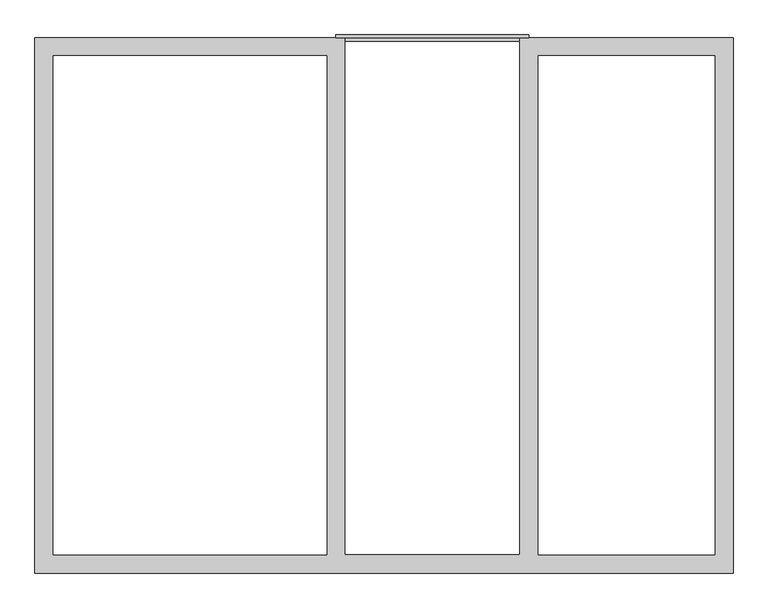
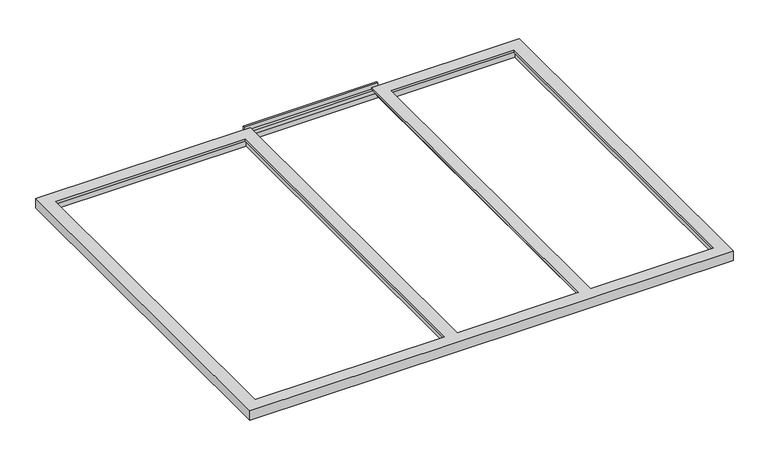
"""IFC4 building model written with IfcOpenShell, lengths in millimetres: proxy geometry."""

from ifc_helpers import new_model, si_unit, frame, origin, place, context, project, spatial, polyline, outline, extrude, faceted_brep, source, transform, mapped, element, save


def generic_models_dc87b48c(model_context):
    return source(origin(), model_context, "Body", "SolidModel", [
        extrude(outline(polyline([(12.0, -86.0), (0.0, -86.0), (0.0, -37.0), (-18.0, -37.0), (-18.0, -12.0), (0.0, -12.0), (0.0, 19.0), (12.0, 19.0), (12.0, -86.0)])), frame((1373.0, 0.0, 0.0), z_axis=(1.0, 0.0, 0.0), x_axis=(0.0, 1.0, 0.0)), (0.0, 0.0, 1.0), 883.0),
        faceted_brep([(0.0, 0.0, 0.0), (1414.5, 0.0, 0.0), (1414.5, 0.0, -16.0), (1399.5, 0.0, -16.0), (1399.5, 0.0, -37.0), (1379.5, 0.0, -37.0), (1379.5, 0.0, -68.0), (0.0, 0.0, -68.0), (0.0, -2445.0, -68.0), (3188.0, -2445.0, -68.0), (3188.0, -2445.0, 0.0), (0.0, -2445.0, 0.0), (1379.5, -2397.0, -68.0), (2249.5, -2397.0, -68.0), (2249.5, 0.0, -68.0), (3188.0, 0.0, -68.0), (65.0, -65.0, -68.0), (65.0, -2380.0, -68.0), (1349.5, -2380.0, -68.0), (1349.5, -65.0, -68.0), (2279.5, -2380.0, -68.0), (3123.0, -2380.0, -68.0), (3123.0, -65.0, -68.0), (2279.5, -65.0, -68.0), (65.0, -65.0, -16.0), (65.0, -2380.0, -16.0), (1349.5, -65.0, -16.0), (1349.5, -2380.0, -16.0), (83.0, -83.0, -16.0), (83.0, -2362.0, -16.0), (1331.5, -2362.0, -16.0), (1331.5, -83.0, -16.0), (83.0, -83.0, 0.0), (83.0, -2362.0, 0.0), (3188.0, 0.0, 0.0), (2214.5, 0.0, 0.0), (2214.5, -2362.0, 0.0), (1414.5, -2362.0, 0.0), (1331.5, -83.0, 0.0), (1331.5, -2362.0, 0.0), (3105.0, -2362.0, 0.0), (2297.5, -2362.0, 0.0), (2297.5, -83.0, 0.0), (3105.0, -83.0, 0.0), (1379.5, -2397.0, -37.0), (1399.5, -2377.0, -16.0), (1399.5, -2377.0, -37.0), (2229.5, -2377.0, -37.0), (2229.5, 0.0, -37.0), (2249.5, 0.0, -37.0), (2249.5, -2397.0, -37.0), (1414.5, -2362.0, -16.0), (2214.5, -2362.0, -16.0), (2214.5, 0.0, -16.0), (2229.5, 0.0, -16.0), (2229.5, -2377.0, -16.0), (2279.5, -65.0, -16.0), (2279.5, -2380.0, -16.0), (3123.0, -65.0, -16.0), (3123.0, -2380.0, -16.0), (3105.0, -2362.0, -16.0), (3105.0, -83.0, -16.0), (2297.5, -83.0, -16.0), (2297.5, -2362.0, -16.0)], [[[0, 1, 2, 3, 4, 5, 6, 7]], [[8, 9, 10, 11]], [[6, 12, 13, 14, 15, 9, 8, 7], [16, 17, 18, 19], [20, 21, 22, 23]], [[24, 25, 17, 16]], [[26, 27, 25, 24], [28, 29, 30, 31]], [[32, 33, 29, 28]], [[0, 11, 10, 34, 35, 36, 37, 1], [38, 39, 33, 32], [40, 41, 42, 43]], [[7, 8, 11, 0]], [[19, 18, 27, 26]], [[31, 30, 39, 38]], [[5, 44, 12, 6]], [[19, 26, 24, 16]], [[31, 38, 32, 28]], [[3, 45, 46, 4]], [[4, 46, 47, 48, 49, 50, 44, 5]], [[39, 30, 29, 33]], [[17, 25, 27, 18]], [[1, 37, 51, 2]], [[2, 51, 52, 53, 54, 55, 45, 3]], [[37, 36, 52, 51]], [[45, 55, 47, 46]], [[34, 15, 14, 49, 48, 54, 53, 35]], [[20, 23, 56, 57]], [[57, 56, 58, 59], [60, 61, 62, 63]], [[63, 62, 42, 41]], [[14, 13, 50, 49]], [[53, 52, 36, 35]], [[15, 34, 10, 9]], [[41, 40, 60, 63]], [[57, 59, 21, 20]], [[58, 22, 21, 59]], [[40, 43, 61, 60]], [[22, 58, 56, 23]], [[42, 62, 61, 43]], [[48, 47, 55, 54]], [[44, 50, 13, 12]]]),
    ])


if __name__ == "__main__":
    model = new_model("IFC4")
    model_context = context("Model", 3, world=origin())
    ifc_project = project(units=[si_unit("LENGTHUNIT", "METRE", prefix="MILLI")], contexts=[model_context])
    site = spatial("IfcSite", under=ifc_project)
    building = spatial("IfcBuilding", under=site)
    placement = place(None, origin())
    generic_models_shape = generic_models_dc87b48c(model_context)
    element("IfcBuildingElementProxy", 1, Name="Generic Models", at=placement, inside=building, context=model_context, shape_type="MappedRepresentation", body=[
        mapped(generic_models_shape, transform((0.0, 0.0, 0.0), x_axis=(1.0, 0.0, 0.0), y_axis=(0.0, 1.0, 0.0), z_axis=(0.0, 0.0, 1.0))),
    ])
    save(model, "model.ifc")
